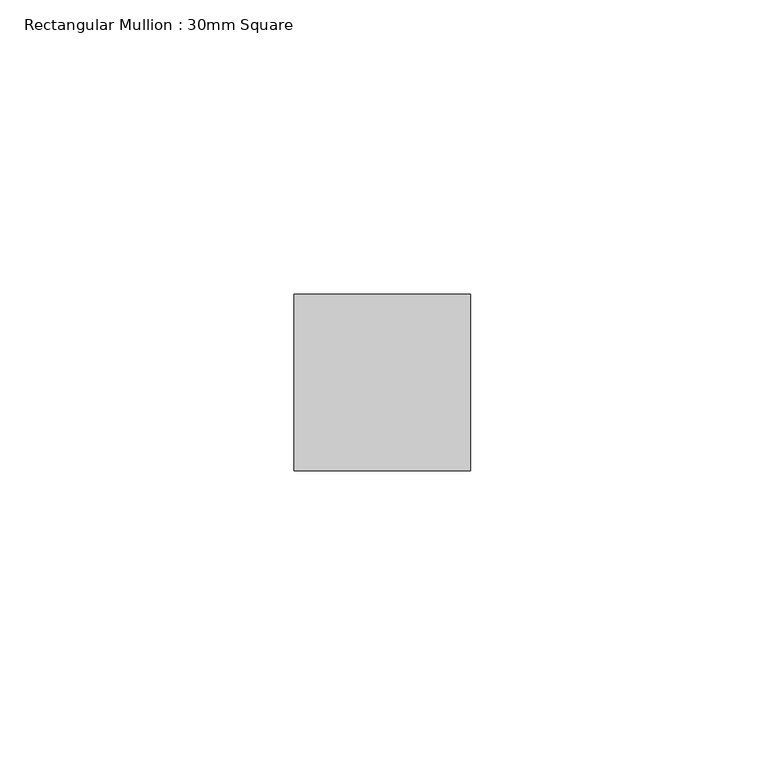
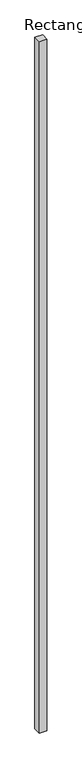
"""IFC4 building model written with IfcOpenShell, lengths in millimetres: member geometry, Rectangular Mullion : 30mm Square."""

import ifcopenshell
import ifcopenshell.guid

model = None  # the IFC model being written
_history = None  # IfcOwnerHistory: only IFC2X3 demands one
_inside = {}  # id of a spatial element -> (the spatial element, [elements in it])
_under = {}  # id of a project, library or spatial element -> (it, [spatial elements below it])
_declared = {}  # id of a project -> (the project, [libraries it declares])
_typed = {}  # id of a type object -> (the type object, [elements of that type])
_made_of = {}  # id of a material, layer set ... -> (it, [elements and type objects made of it])


def new_model(schema):
    """Start an empty IFC model of exactly this schema.

    Asked for "IFC4X3", IfcOpenShell would pick the latest addendum, in which some entities
    have other attributes; the version numbers below select the first issue.
    IFC2X3 requires an IfcOwnerHistory on every rooted entity: one is made here for all.
    """
    global model, _history
    if schema == "IFC4X3":
        model = ifcopenshell.file(schema_version=(4, 3, 0, 0))
    else:
        model = ifcopenshell.file(schema=schema)
    _inside.clear()
    _under.clear()
    _declared.clear()
    _typed.clear()
    _made_of.clear()
    _history = None
    if model.schema == "IFC2X3":
        org = make("IfcOrganization", Name="unknown")
        user = make(
            "IfcPersonAndOrganization",
            ThePerson=make("IfcPerson", FamilyName="unknown"),
            TheOrganization=org,
        )
        app = make(
            "IfcApplication",
            ApplicationDeveloper=org,
            Version="unknown",
            ApplicationFullName="unknown",
            ApplicationIdentifier="unknown",
        )
        _history = make(
            "IfcOwnerHistory",
            OwningUser=user,
            OwningApplication=app,
            ChangeAction="ADDED",
            CreationDate=0,
        )
    return model


def make(cls, **values):
    """One entity of the class cls with the attributes given. An attribute that is None is left unset."""
    return model.create_entity(
        cls, **{name: value for name, value in values.items() if value is not None}
    )


def rooted(cls, **values):
    """An entity with a GlobalId (a new one), such as an element, a storey or a relation."""
    return make(cls, GlobalId=ifcopenshell.guid.new(), OwnerHistory=_history, **values)


def si_unit(unit_type, name, prefix=None):
    """IfcSIUnit, for example si_unit("LENGTHUNIT", "METRE", prefix="MILLI")."""
    return make("IfcSIUnit", UnitType=unit_type, Prefix=prefix, Name=name)


def assignment(units):
    """IfcUnitAssignment: the units of a project."""
    return None if units is None else make("IfcUnitAssignment", Units=units)


def point(xyz):
    """IfcCartesianPoint."""
    return None if xyz is None else make("IfcCartesianPoint", Coordinates=xyz)


def direction(xyz):
    """IfcDirection."""
    return None if xyz is None else make("IfcDirection", DirectionRatios=xyz)


def frame(location, z_axis=None, x_axis=None):
    """IfcAxis2Placement3D, a coordinate frame: its origin and axes. An axis left out is left unset."""
    return make(
        "IfcAxis2Placement3D",
        Location=point(location),
        Axis=direction(z_axis),
        RefDirection=direction(x_axis),
    )


def origin():
    """The frame at (0, 0, 0) with its axes left unset."""
    return frame((0.0, 0.0, 0.0))


def place(relative_to, where):
    """IfcLocalPlacement: puts the frame where relative to a parent placement (None: the world)."""
    return make(
        "IfcLocalPlacement", PlacementRelTo=relative_to, RelativePlacement=where
    )


def context(
    kind, dimensions, precision=None, world=None, true_north=None, identifier=None
):
    """IfcGeometricRepresentationContext, for example the 3D "Model" context."""
    return make(
        "IfcGeometricRepresentationContext",
        ContextIdentifier=identifier,
        ContextType=kind,
        CoordinateSpaceDimension=dimensions,
        Precision=precision,
        WorldCoordinateSystem=world,
        TrueNorth=true_north,
    )


def project(units=None, contexts=None):
    """IfcProject with its units and contexts."""
    return rooted(
        "IfcProject",
        Name="project",
        RepresentationContexts=contexts,
        UnitsInContext=assignment(units),
    )


def spatial(cls, under=None, at=None, **own):
    """A site, building, storey or space (cls), placed at a placement, below another one or the project."""
    s = rooted(cls, ObjectPlacement=at, **own)
    if under is not None:
        _under.setdefault(under.id(), (under, []))[1].append(s)
    return s


def polyline(points):
    """IfcPolyline through the points."""
    return make("IfcPolyline", Points=[point(p) for p in points])


def outline(outer, holes=None, kind="AREA"):
    """IfcArbitraryClosedProfileDef: a profile drawn as a closed curve; with holes, ...WithVoids."""
    if holes is None:
        return make("IfcArbitraryClosedProfileDef", ProfileType=kind, OuterCurve=outer)
    return make(
        "IfcArbitraryProfileDefWithVoids",
        ProfileType=kind,
        OuterCurve=outer,
        InnerCurves=holes,
    )


def extrude(swept, where, along, depth):
    """IfcExtrudedAreaSolid: the profile swept, set in the frame where, extruded along a direction by depth."""
    return make(
        "IfcExtrudedAreaSolid",
        SweptArea=swept,
        Position=where,
        ExtrudedDirection=direction(along),
        Depth=depth,
    )


def shape(context_of_items, identifier, shape_type, items):
    """IfcShapeRepresentation: the items that make up one representation, for example the "Body"."""
    return make(
        "IfcShapeRepresentation",
        ContextOfItems=context_of_items,
        RepresentationIdentifier=identifier,
        RepresentationType=shape_type,
        Items=items,
    )


def source(mapping_origin, context_of_items, identifier, shape_type, items):
    """IfcRepresentationMap: a shape defined once, which mapped items show again and again."""
    return make(
        "IfcRepresentationMap",
        MappingOrigin=mapping_origin,
        MappedRepresentation=shape(context_of_items, identifier, shape_type, items),
    )


def transform(
    local_origin,
    x_axis=None,
    y_axis=None,
    z_axis=None,
    scale=None,
    scale2=None,
    scale3=None,
    uniform=True,
):
    """IfcCartesianTransformationOperator3D, or its non-uniform kind. x_axis, y_axis, z_axis: its Axis1, 2, 3."""
    if uniform:
        return make(
            "IfcCartesianTransformationOperator3D",
            Axis1=direction(x_axis),
            Axis2=direction(y_axis),
            LocalOrigin=point(local_origin),
            Scale=scale,
            Axis3=direction(z_axis),
        )
    return make(
        "IfcCartesianTransformationOperator3DnonUniform",
        Axis1=direction(x_axis),
        Axis2=direction(y_axis),
        LocalOrigin=point(local_origin),
        Scale=scale,
        Axis3=direction(z_axis),
        Scale2=scale2,
        Scale3=scale3,
    )


def mapped(mapping_source, mapping_target):
    """IfcMappedItem: shows the shape of a source again, moved by a transform."""
    return make(
        "IfcMappedItem", MappingSource=mapping_source, MappingTarget=mapping_target
    )


def made_of(thing, what):
    """Note that an element or type object is made of a material, layer set ...; save() writes the relation."""
    if what is not None:
        _made_of.setdefault(what.id(), (what, []))[1].append(thing)
    return thing


def element(
    cls,
    number,
    at=None,
    inside=None,
    cuts=None,
    type_object=None,
    material=None,
    context=None,
    identifier="Body",
    shape_type=None,
    held_by="IfcProductDefinitionShape",
    body=None,
    shapes=None,
    **own,
):
    """One element of the class cls, such as IfcWall. Its Tag is "e" and its number.

    at: its placement. inside: the storey or other place that contains it. cuts: it is an
    opening in that element (IfcRelVoidsElement). A single representation is given by context,
    identifier, shape_type and body (its items); several are given by shapes. held_by: the class
    of the entity that holds the representations. save() writes the other relations.
    """
    e = rooted(cls, Tag="e%d" % number, ObjectPlacement=at, **own)
    if body is not None:
        shapes = [shape(context, identifier, shape_type, body)]
    if shapes is not None:
        e.Representation = make(held_by, Representations=shapes)
    if inside is not None:
        _inside.setdefault(inside.id(), (inside, []))[1].append(e)
    if cuts is not None:
        rooted(
            "IfcRelVoidsElement", RelatingBuildingElement=cuts, RelatedOpeningElement=e
        )
    if type_object is not None:
        _typed.setdefault(type_object.id(), (type_object, []))[1].append(e)
    return made_of(e, material)


def aggregate(whole, parts):
    """IfcRelAggregates: a whole, such as a stair, and the parts it consists of."""
    return rooted("IfcRelAggregates", RelatingObject=whole, RelatedObjects=parts)


def save(model, path):
    """Write the relations noted so far, then the file.

    IfcRelAggregates (storeys below a building ...), IfcRelContainedInSpatialStructure (elements
    in a storey), IfcRelDefinesByType, IfcRelAssociatesMaterial and IfcRelDeclares: one each for
    every whole, place, type object, material and project.
    """
    for whole, parts in _under.values():
        aggregate(whole, parts)
    for where, things in _inside.values():
        rooted(
            "IfcRelContainedInSpatialStructure",
            RelatedElements=things,
            RelatingStructure=where,
        )
    for kind, things in _typed.values():
        rooted("IfcRelDefinesByType", RelatedObjects=things, RelatingType=kind)
    for what, things in _made_of.values():
        rooted("IfcRelAssociatesMaterial", RelatedObjects=things, RelatingMaterial=what)
    for by, libraries in _declared.values():
        rooted("IfcRelDeclares", RelatingContext=by, RelatedDefinitions=libraries)
    model.write(path)


def rectangular_mullion_30mm_square_abd69f72(model_context):
    return source(origin(), model_context, "Body", "SweptSolid", [
        extrude(outline(polyline([(0.0, 15.0), (0.0, -15.0), (-30.0, -15.0), (-30.0, 15.0), (0.0, 15.0)])), frame((0.0, 0.0, -2880.0), z_axis=(0.0, 0.0, 1.0), x_axis=(1.0, 0.0, 0.0)), (0.0, 0.0, 1.0), 2880.0),
    ])


if __name__ == "__main__":
    model = new_model("IFC4")
    model_context = context("Model", 3, world=origin())
    ifc_project = project(units=[si_unit("LENGTHUNIT", "METRE", prefix="MILLI")], contexts=[model_context])
    site = spatial("IfcSite", under=ifc_project)
    building = spatial("IfcBuilding", under=site)
    placement = place(None, origin())
    rectangular_mullion_30mm_square_shape = rectangular_mullion_30mm_square_abd69f72(model_context)
    element("IfcMember", 1, ObjectType="Rectangular Mullion : 30mm Square", at=placement, inside=building, context=model_context, shape_type="MappedRepresentation", body=[
        mapped(rectangular_mullion_30mm_square_shape, transform((0.0, 0.0, 0.0), x_axis=(1.0, 0.0, 0.0), y_axis=(0.0, 1.0, 0.0), z_axis=(0.0, 0.0, 1.0))),
    ])
    save(model, "model.ifc")
